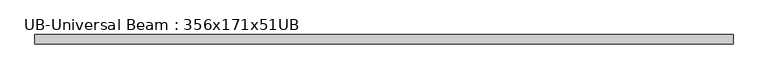
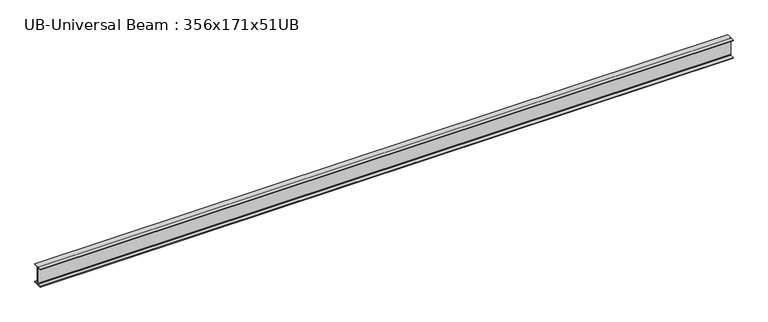
"""IFC4 building model written with IfcOpenShell, lengths in millimetres: beam geometry, UB-Universal Beam : 356x171x51UB."""

from ifc_helpers import new_model, si_unit, point, frame, frame_2d, origin, place, context, project, spatial, polyline, circle_curve, trimmed, segment, composite_curve, outline, extrude, source, transform, mapped, element, save


def ub_universal_beam_356x171x51ub_47c091eb(model_context):
    return source(origin(), model_context, "Body", "SweptSolid", [
        extrude(outline(composite_curve([segment(polyline([(85.75, -166.0), (85.75, -177.5), (-85.75, -177.5), (-85.75, -166.0), (-13.9, -166.0)]), True, "CONTINUOUS"), segment(trimmed(circle_curve(frame_2d((-13.9, -155.8)), 10.2), [point((-13.9, -166.0))], [point((-3.7, -155.8))], True, "CARTESIAN"), True, "CONTINUOUS"), segment(polyline([(-3.7, -155.8), (-3.7, 155.8)]), True, "CONTINUOUS"), segment(trimmed(circle_curve(frame_2d((-13.9, 155.8)), 10.2), [point((-3.7, 155.8))], [point((-13.9, 166.0))], True, "CARTESIAN"), True, "CONTINUOUS"), segment(polyline([(-13.9, 166.0), (-85.75, 166.0), (-85.75, 177.5), (85.75, 177.5), (85.75, 166.0), (13.9, 166.0)]), True, "CONTINUOUS"), segment(trimmed(circle_curve(frame_2d((13.9, 155.8)), 10.2), [point((13.9, 166.0))], [point((3.7, 155.8))], True, "CARTESIAN"), True, "CONTINUOUS"), segment(polyline([(3.7, 155.8), (3.7, -155.8)]), True, "CONTINUOUS"), segment(trimmed(circle_curve(frame_2d((13.9, -155.8)), 10.2), [point((3.7, -155.8))], [point((13.9, -166.0))], True, "CARTESIAN"), True, "CONTINUOUS"), segment(polyline([(13.9, -166.0), (85.75, -166.0)]), True, "CONTINUOUS")], self_intersect=False)), frame((-6486.6594355, 0.0, 0.0), z_axis=(1.0, 0.0, 0.0), x_axis=(0.0, 1.0, 0.0)), (0.0, 0.0, 1.0), 12973.318871),
    ])


if __name__ == "__main__":
    model = new_model("IFC4")
    model_context = context("Model", 3, world=origin())
    ifc_project = project(units=[si_unit("LENGTHUNIT", "METRE", prefix="MILLI")], contexts=[model_context])
    site = spatial("IfcSite", under=ifc_project)
    building = spatial("IfcBuilding", under=site)
    placement = place(None, origin())
    ub_universal_beam_356x171x51ub_shape = ub_universal_beam_356x171x51ub_47c091eb(model_context)
    element("IfcBeam", 1, ObjectType="UB-Universal Beam : 356x171x51UB", at=placement, inside=building, context=model_context, shape_type="MappedRepresentation", body=[
        mapped(ub_universal_beam_356x171x51ub_shape, transform((0.0, 0.0, 0.0), x_axis=(1.0, 0.0, 0.0), y_axis=(0.0, 1.0, 0.0), z_axis=(0.0, 0.0, 1.0))),
    ])
    save(model, "model.ifc")
